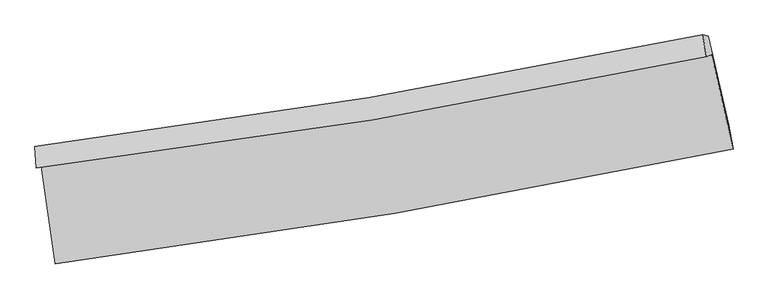
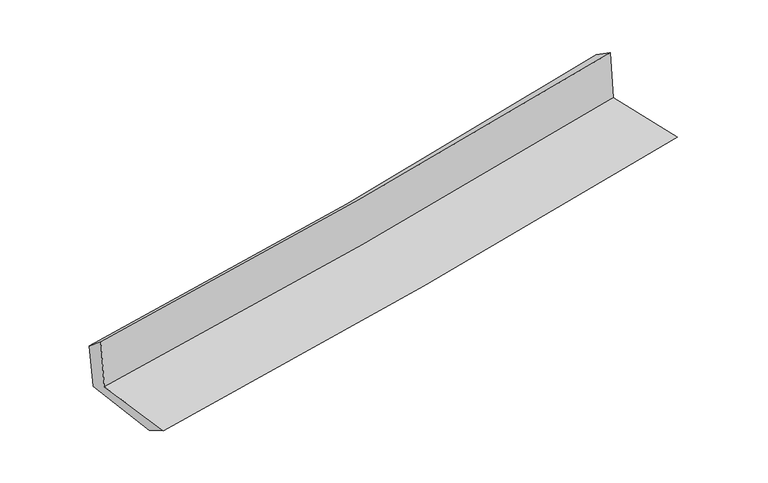
"""IFC4 building model written with IfcOpenShell, lengths in millimetres: proxy geometry."""

from ifc_helpers import new_model, si_unit, frame, origin, place, context, project, spatial, source, transform, mapped, element, save
from ifc_brep_helpers import plane_surface, spline_curve, spline_surface, advanced_brep


def generic_models_f4b7e883(model_context):
    return source(origin(), model_context, "Body", "AdvancedBrep", [
        advanced_brep(
        [(-2324.0399585, -1867.3745973, 1663.5452886), (-2229.776124, -2538.764636, 1659.4449808), (2416.6180304, -1749.3731909, 2088.8193834), (2268.9358243, -1102.9415114, 2087.7018954), (-2359.0129146, -1882.1974305, 2070.0725386), (2234.2131884, -1117.7192332, 2494.2970675), (-2368.9193497, -1734.7196075, 1952.4624599), (2208.9326704, -966.6206276, 2395.4409996), (-2336.2558658, -1732.5273555, 1590.661393), (2247.0759018, -974.6354711, 2007.9502336), (-2244.9722636, -2365.3039161, 1560.0087619), (2388.5110623, -1587.153076, 1992.9924738)],
        [
            (0, 1),
            (1, 2, spline_curve(3, [(-2229.776124, -2538.764636, 1659.4449808), (-1452.330829763, -2439.214861664, 1738.790342927), (-677.247243618, -2323.835268001, 1814.17490428), (871.571482866, -2060.843366141, 1957.334379583), (1645.285948291, -1913.092478147, 2025.074618774), (2416.6180304, -1749.3731909, 2088.8193834)], [4, 2, 4], [0.0, 7.701729314544385, 15.437097008779535])),
            (2, 3),
            (3, 0, spline_curve(3, [(2268.9358243, -1102.9415114, 2087.7018954), (1506.535383468, -1263.751136994, 2024.810388759), (741.747959847, -1407.961426646, 1957.932562083), (-789.264682945, -1662.628400025, 1816.51243184), (-1555.469186988, -1773.229138747, 1742.004722858), (-2324.0399585, -1867.3745973, 1663.5452886)], [4, 2, 4], [0.0, 7.73536769423515, 15.437097008779535])),
            (4, 0),
            (3, 5),
            (5, 4, spline_curve(3, [(2234.2131884, -1117.7192332, 2494.2970675), (1471.765008296, -1278.540882255, 2431.46758285), (706.932816141, -1422.760946573, 2364.615014819), (-824.163241074, -1677.442937373, 2223.171924536), (-1590.406416367, -1788.048938902, 2148.616316352), (-2359.0129146, -1882.1974305, 2070.0725386)], [4, 2, 4], [0.0, 7.688780995410531, 15.344126200215335])),
            (6, 4),
            (5, 7),
            (7, 6, spline_curve(3, [(2208.9326704, -966.6206276, 2395.4409996), (1449.765543194, -1126.308509025, 2319.328258636), (687.857065823, -1270.265972914, 2244.278882135), (-838.117398221, -1526.162451788, 2096.628597277), (-1602.159593871, -1638.237980964, 2024.018460465), (-2368.9193497, -1734.7196075, 1952.4624599)], [4, 2, 4], [0.0, 7.6782876056458145, 15.32318505272863])),
            (8, 6),
            (7, 9),
            (9, 8, spline_curve(3, [(2247.0759018, -974.6354711, 2007.9502336), (1487.640814302, -1136.009972005, 1934.077733546), (725.140010565, -1279.954605793, 1862.296184843), (-802.663850794, -1532.43397101, 1723.218050927), (-1567.94030301, -1641.119965333, 1655.90331916), (-2336.2558658, -1732.5273555, 1590.661393)], [4, 2, 4], [0.0, 7.669002935826027, 15.30465608883602])),
            (10, 8),
            (9, 11),
            (11, 10, spline_curve(3, [(2388.5110623, -1587.153076, 1992.9924738), (1619.386225741, -1745.724418005, 1920.205787525), (847.853574714, -1889.966138382, 1847.652351053), (-696.661763412, -2149.225393625, 1703.326471077), (-1469.623554263, -2264.367286818, 1631.552004029), (-2244.9722636, -2365.3039161, 1560.0087619)], [4, 2, 4], [0.0, 7.714328597890516, 15.39511030768306])),
            (1, 10),
            (11, 2),
        ],
        [
            spline_surface(3, 3, [[(-2324.0399585, -1867.3745973, 1663.5452886), (-1555.469186886, -1773.22913881, 1742.004722795), (-789.264682912, -1662.628399957, 1816.512431759), (741.747959814, -1407.961426713, 1957.932562165), (1506.535383487, -1263.751136915, 2024.810388808), (2268.9358243, -1102.9415114, 2087.7018954)], [(-2292.618680354, -2091.171276851, 1662.178519321), (-1521.089734545, -1995.224379774, 1740.933262816), (-751.925536522, -1883.030689291, 1815.733255979), (785.022467535, -1625.588739853, 1957.733167964), (1552.785571792, -1480.19825066, 2024.898465502), (2318.163226352, -1318.418737875, 2088.074391407)], [(-2261.197402146, -2314.967956449, 1660.811750079), (-1486.710282144, -2217.219620787, 1739.861802873), (-714.586390124, -2103.43297865, 1814.95408014), (828.296975262, -1843.216053018, 1957.533773703), (1599.035760041, -1696.645364481, 2024.986542175), (2367.390628348, -1533.895964425, 2088.446887393)], [(-2229.776124, -2538.764636, 1659.4449808), (-1452.330829804, -2439.214861751, 1738.790342894), (-677.247243734, -2323.835267984, 1814.174904361), (871.571482983, -2060.843366157, 1957.334379502), (1645.285948346, -1913.092478226, 2025.074618869), (2416.6180304, -1749.3731909, 2088.8193834)]], [4, 4], [4, 2, 4], [0.0, 2.19182896209571], [0.0, 7.701729314544385, 15.437097008779535]),
            spline_surface(3, 3, [[(-2359.0129146, -1882.1974305, 2070.0725386), (-1590.406416346, -1788.048938977, 2148.616316436), (-824.163240993, -1677.442937404, 2223.171924597), (706.93281606, -1422.760946542, 2364.615014758), (1471.765008341, -1278.540882341, 2431.467582888), (2234.2131884, -1117.7192332, 2494.2970675)], [(-2347.355262554, -1877.256486107, 1934.563455274), (-1578.76067318, -1783.109005595, 2013.079118563), (-812.530388313, -1672.504758269, 2087.618760306), (718.537863964, -1417.827773279, 2229.054197216), (1483.355133364, -1273.610967211, 2295.915184861), (2245.787400341, -1112.793325946, 2358.765343466)], [(-2335.697610546, -1872.315541693, 1799.054371926), (-1567.114930052, -1778.169072192, 1877.541920668), (-800.897535592, -1667.566579093, 1952.065596049), (730.14291191, -1412.894599976, 2093.493379707), (1494.945258464, -1268.681052045, 2160.362786835), (2257.361612359, -1107.867418654, 2223.233619434)], [(-2324.0399585, -1867.3745973, 1663.5452886), (-1555.469186886, -1773.22913881, 1742.004722795), (-789.264682912, -1662.628399957, 1816.512431759), (741.747959814, -1407.961426713, 1957.932562165), (1506.535383487, -1263.751136915, 2024.810388808), (2268.9358243, -1102.9415114, 2087.7018954)]], [4, 4], [4, 2, 4], [0.0, 1.3399954061484607], [0.0, 7.655345204804804, 15.344126200215335]),
            spline_surface(3, 3, [[(-2368.9193497, -1734.7196075, 1952.4624599), (-1602.159593995, -1638.237981071, 2024.01846046), (-838.117398129, -1526.162451722, 2096.628597229), (687.857065731, -1270.265972981, 2244.278882184), (1449.765543217, -1126.308509065, 2319.328258637), (2208.9326704, -966.6206276, 2395.4409996)], [(-2365.617204662, -1783.878881814, 1991.665819472), (-1598.241868107, -1688.17496702, 2065.551079124), (-833.466012407, -1576.589280276, 2138.809706361), (694.215649184, -1321.097630827, 2284.390926385), (1457.098698272, -1177.052633492, 2356.708033392), (2217.359509746, -1016.986829469, 2428.393022238)], [(-2362.315059638, -1833.038156186, 2030.869179028), (-1594.324142233, -1738.111953027, 2107.083697772), (-828.814626716, -1627.016108851, 2180.990815464), (700.574232606, -1371.929288695, 2324.502970557), (1464.431853287, -1227.796757914, 2394.087808133), (2225.786349054, -1067.353031331, 2461.345044862)], [(-2359.0129146, -1882.1974305, 2070.0725386), (-1590.406416346, -1788.048938977, 2148.616316436), (-824.163240993, -1677.442937404, 2223.171924597), (706.93281606, -1422.760946542, 2364.615014758), (1471.765008341, -1278.540882341, 2431.467582888), (2234.2131884, -1117.7192332, 2494.2970675)]], [4, 4], [4, 2, 4], [0.0, 0.6443974238255353], [0.0, 7.644897447082816, 15.32318505272863]),
            spline_surface(3, 3, [[(-2336.2558658, -1732.5273555, 1590.661393), (-1567.940302955, -1641.119965322, 1655.903319142), (-802.663850776, -1532.433970935, 1723.21805082), (725.140010547, -1279.954605868, 1862.296184951), (1487.640814234, -1136.009972091, 1934.077733456), (2247.0759018, -974.6354711, 2007.9502336)], [(-2347.143693767, -1733.25810619, 1711.261748632), (-1579.346733302, -1640.159303928, 1778.608366246), (-814.481699904, -1530.343464534, 1847.688232959), (712.712362265, -1276.725061576, 1989.623750698), (1475.015723902, -1132.776151072, 2062.494575178), (2234.36149134, -971.96385659, 2137.113822261)], [(-2358.031521733, -1733.98885681, 1831.862104268), (-1590.753163648, -1639.198642465, 1901.313413356), (-826.299549001, -1528.252958122, 1972.15841509), (700.284714013, -1273.495517273, 2116.951316437), (1462.39063355, -1129.542330084, 2190.911416915), (2221.64708086, -969.29224211, 2266.277410939)], [(-2368.9193497, -1734.7196075, 1952.4624599), (-1602.159593995, -1638.237981071, 2024.01846046), (-838.117398129, -1526.162451722, 2096.628597229), (687.857065731, -1270.265972981, 2244.278882184), (1449.765543217, -1126.308509065, 2319.328258637), (2208.9326704, -966.6206276, 2395.4409996)]], [4, 4], [4, 2, 4], [0.0, 1.245231433527106], [0.0, 7.635653153009994, 15.30465608883602]),
            spline_surface(3, 3, [[(-2244.9722636, -2365.3039161, 1560.0087619), (-1469.623554157, -2264.367286797, 1631.55200393), (-696.661763296, -2149.225393718, 1703.32647119), (847.853574597, -1889.966138288, 1847.652350939), (1619.386225721, -1745.724417997, 1920.205787626), (2388.5110623, -1587.153076, 1992.9924738)], [(-2275.400131023, -2154.378395881, 1570.226305586), (-1502.395803779, -2056.618179619, 1639.669108986), (-731.995792454, -1943.628252776, 1709.956997727), (806.949053249, -1686.6289608, 1852.533628937), (1575.471088545, -1542.486269357, 1924.829769554), (2341.366008787, -1382.980541029, 1997.978393718)], [(-2305.827998377, -1943.452875719, 1580.443849314), (-1535.168053333, -1848.869072499, 1647.786214086), (-767.329821618, -1738.031111877, 1716.587524283), (766.044531895, -1483.291783356, 1857.414906954), (1531.55595141, -1339.248120731, 1929.453751528), (2294.220955313, -1178.808006071, 2002.964313682)], [(-2336.2558658, -1732.5273555, 1590.661393), (-1567.940302955, -1641.119965322, 1655.903319142), (-802.663850776, -1532.433970935, 1723.21805082), (725.140010547, -1279.954605868, 1862.296184951), (1487.640814234, -1136.009972091, 1934.077733456), (2247.0759018, -974.6354711, 2007.9502336)]], [4, 4], [4, 2, 4], [0.0, 2.0479041697022113], [0.0, 7.680781709792544, 15.39511030768306]),
            spline_surface(3, 3, [[(-2229.776124, -2538.764636, 1659.4449808), (-1452.330829804, -2439.214861751, 1738.790342894), (-677.247243734, -2323.835267984, 1814.174904361), (871.571482983, -2060.843366157, 1957.334379502), (1645.285948346, -1913.092478226, 2025.074618869), (2416.6180304, -1749.3731909, 2088.8193834)], [(-2234.841503841, -2480.944396058, 1626.299574515), (-1458.095071229, -2380.932336791, 1703.044229921), (-683.71875024, -2265.631976575, 1777.225426623), (863.665513535, -2003.884290214, 1920.7737033), (1636.652707472, -1857.303124842, 1990.118341797), (2407.249041034, -1695.299819293, 2056.877080209)], [(-2239.906883759, -2423.124156042, 1593.154168185), (-1463.859312732, -2322.649811757, 1667.298116903), (-690.190256789, -2207.428685127, 1740.275948929), (855.759544045, -1946.925214231, 1884.213027142), (1628.019466595, -1801.513771381, 1955.162064698), (2397.880051666, -1641.226447607, 2024.934776991)], [(-2244.9722636, -2365.3039161, 1560.0087619), (-1469.623554157, -2264.367286797, 1631.55200393), (-696.661763296, -2149.225393718, 1703.32647119), (847.853574597, -1889.966138288, 1847.652350939), (1619.386225721, -1745.724417997, 1920.205787626), (2388.5110623, -1587.153076, 1992.9924738)]], [4, 4], [4, 2, 4], [0.0, 0.6760510338355423], [0.0, 7.736444557656255, 15.506679118681694]),
            plane_surface(frame((2294.0477796, -1249.7405184, 2177.8670089), z_axis=(0.9708060544284657, 0.22194524896336054, 0.09097203497574033), x_axis=(-0.09794226930995885, 0.020580111729521552, 0.9949792816353595))),
            plane_surface(frame((-2310.4960794, -2020.1479238, 1749.3659038), z_axis=(-0.9863541285464869, -0.13793616910702192, -0.08988407173342487), x_axis=(-0.13903476496457387, 0.9902690334919918, 0.006047763064311971))),
        ],
        [
            (0, [[1, 2, 3, 4]]),
            (1, [[5, -4, 6, 7]]),
            (2, [[8, -7, 9, 10]]),
            (3, [[11, -10, 12, 13]]),
            (4, [[14, -13, 15, 16]]),
            (5, [[17, -16, 18, -2]]),
            (6, [[-12, -9, -6, -3, -18, -15]]),
            (7, [[-1, -5, -8, -11, -14, -17]]),
        ],
    ),
    ])


if __name__ == "__main__":
    model = new_model("IFC4")
    model_context = context("Model", 3, world=origin())
    ifc_project = project(units=[si_unit("LENGTHUNIT", "METRE", prefix="MILLI")], contexts=[model_context])
    site = spatial("IfcSite", under=ifc_project)
    building = spatial("IfcBuilding", under=site)
    placement = place(None, origin())
    generic_models_shape = generic_models_f4b7e883(model_context)
    element("IfcBuildingElementProxy", 1, Name="Generic Models", at=placement, inside=building, context=model_context, shape_type="MappedRepresentation", body=[
        mapped(generic_models_shape, transform((0.0, 0.0, 0.0), x_axis=(1.0, 0.0, 0.0), y_axis=(0.0, 1.0, 0.0), z_axis=(0.0, 0.0, 1.0))),
    ])
    save(model, "model.ifc")
